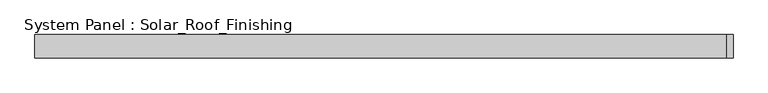
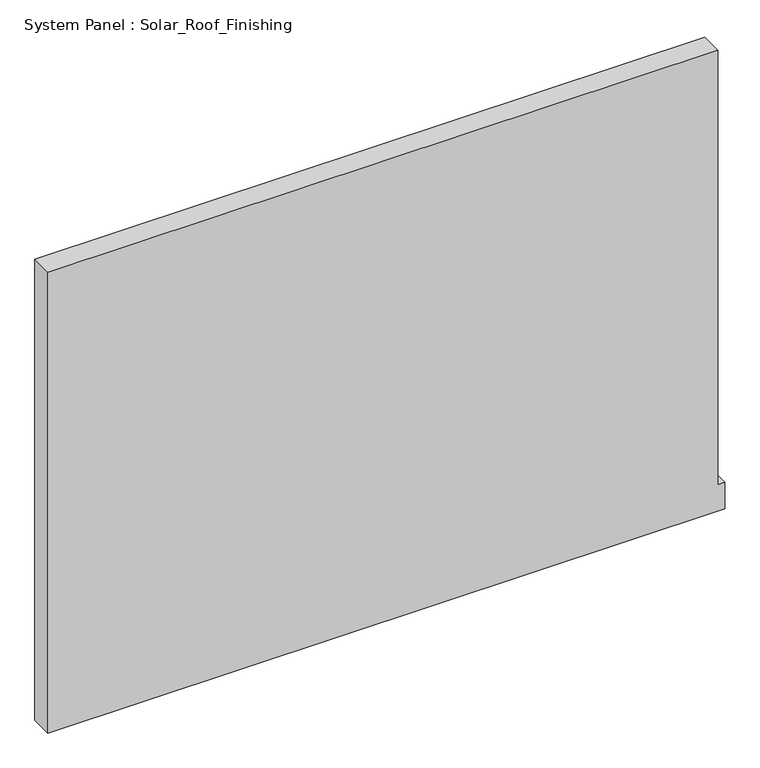
"""IFC4 building model written with IfcOpenShell, lengths in millimetres: plate geometry, System Panel : Solar_Roof_Finishing."""

from ifc_helpers import new_model, si_unit, frame, origin, place, context, project, spatial, polyline, outline, extrude, source, transform, mapped, element, save


def system_panel_solar_roof_finishing_294216f2(model_context):
    return source(origin(), model_context, "Body", "SweptSolid", [
        extrude(outline(polyline([(0.0, -895.5), (0.0, 895.5), (74.2544309, 895.5), (74.2544309, 877.5), (1290.1339302, 877.5), (1290.1339302, -895.5), (0.0, -895.5)])), frame((0.0, -10.5, 0.0), z_axis=(0.0, 1.0, 0.0), x_axis=(0.0, 0.0, 1.0)), (0.0, 0.0, 1.0), 60.0),
    ])


if __name__ == "__main__":
    model = new_model("IFC4")
    model_context = context("Model", 3, world=origin())
    ifc_project = project(units=[si_unit("LENGTHUNIT", "METRE", prefix="MILLI")], contexts=[model_context])
    site = spatial("IfcSite", under=ifc_project)
    building = spatial("IfcBuilding", under=site)
    placement = place(None, origin())
    system_panel_solar_roof_finishing_shape = system_panel_solar_roof_finishing_294216f2(model_context)
    element("IfcPlate", 1, ObjectType="System Panel : Solar_Roof_Finishing", at=placement, inside=building, context=model_context, shape_type="MappedRepresentation", body=[
        mapped(system_panel_solar_roof_finishing_shape, transform((0.0, 0.0, 0.0), x_axis=(1.0, 0.0, 0.0), y_axis=(0.0, 1.0, 0.0), z_axis=(0.0, 0.0, 1.0))),
    ])
    save(model, "model.ifc")
